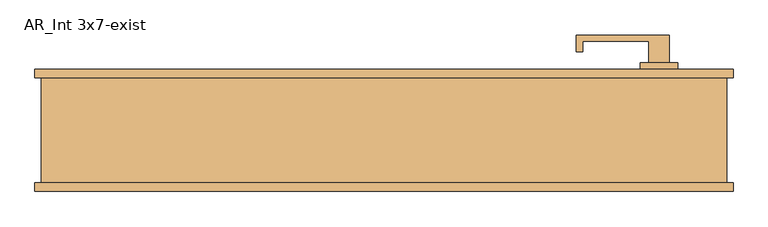
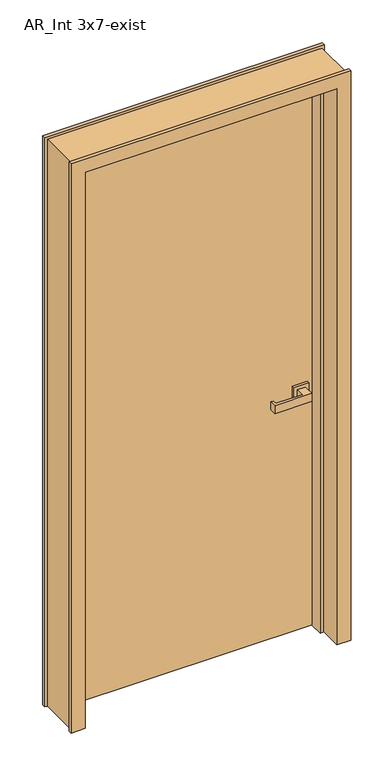
"""IFC4 building model written with IfcOpenShell, lengths in millimetres: door geometry, AR_Int 3x7-exist."""

from ifc_helpers import new_model, si_unit, frame, origin, origin_with_axes, place, context, project, spatial, polyline, outline, extrude, faceted_brep, source, transform, mapped, element, save


def ar_int_3x7_exist_beb96ee9(model_context):
    return source(origin(), model_context, "Body", "SolidModel", [
        faceted_brep([(-406.5493445, 91.1545325, 0.0), (-355.7493445, 91.1545325, 0.0), (-355.7493445, 46.7045325, 0.0), (-343.0493445, 46.7045325, 0.0), (-343.0493445, -4.0954675, 0.0), (-355.7493445, -4.0954675, 0.0), (-355.7493445, -86.6454675, 0.0), (-406.5493445, -86.6454675, 0.0), (-406.5493445, -73.9454675, 0.0), (-397.0243445, -73.9454675, 0.0), (-397.0243445, 78.4545325, 0.0), (-406.5493445, 78.4545325, 0.0), (-355.7493445, 91.1545325, 2133.6), (-355.7493445, 46.7045325, 2133.6), (-343.0493445, 46.7045325, 2120.9), (-343.0493445, -4.0954675, 2120.9), (-355.7493445, -4.0954675, 2133.6), (-355.7493445, -86.6454675, 2133.6), (609.4506555, 91.1545325, 0.0), (609.4506555, 91.1545325, 2184.4), (609.4506555, 78.4545325, 2184.4), (609.4506555, 78.4545325, 0.0), (609.4506555, -86.6454675, 2184.4), (609.4506555, -86.6454675, 0.0), (609.4506555, -73.9454675, 0.0), (609.4506555, -73.9454675, 2184.4), (558.6506555, -86.6454675, 2133.6), (558.6506555, -86.6454675, 0.0), (-406.5493445, -86.6454675, 2184.4), (558.6506555, -4.0954675, 0.0), (545.9506555, -4.0954675, 0.0), (545.9506555, 46.7045325, 0.0), (558.6506555, 46.7045325, 0.0), (558.6506555, 91.1545325, 0.0), (599.9256555, 78.4545325, 0.0), (599.9256555, -73.9454675, 0.0), (-406.5493445, 91.1545325, 2184.4), (558.6506555, 91.1545325, 2133.6), (-406.5493445, -73.9454675, 2184.4), (-406.5493445, 78.4545325, 2184.4), (558.6506555, -4.0954675, 2133.6), (545.9506555, -4.0954675, 2120.9), (545.9506555, 46.7045325, 2120.9), (558.6506555, 46.7045325, 2133.6), (599.9256555, 78.4545325, 2174.875), (-397.0243445, 78.4545325, 2174.875), (599.9256555, -73.9454675, 2174.875), (-397.0243445, -73.9454675, 2174.875)], [[[0, 1, 2, 3, 4, 5, 6, 7, 8, 9, 10, 11]], [[2, 1, 12, 13]], [[4, 3, 14, 15]], [[6, 5, 16, 17]], [[18, 19, 20, 21]], [[22, 23, 24, 25]], [[7, 6, 17, 26, 27, 23, 22, 28]], [[23, 27, 29, 30, 31, 32, 33, 18, 21, 34, 35, 24]], [[1, 0, 36, 19, 18, 33, 37, 12]], [[7, 28, 38, 8]], [[36, 0, 11, 39]], [[29, 27, 26, 40]], [[5, 4, 15, 41, 30, 29, 40, 16]], [[31, 30, 41, 42]], [[3, 2, 13, 43, 32, 31, 42, 14]], [[33, 32, 43, 37]], [[28, 22, 25, 38]], [[19, 36, 39, 20]], [[17, 16, 40, 26]], [[15, 14, 42, 41]], [[13, 12, 37, 43]], [[44, 34, 21, 20, 39, 11, 10, 45]], [[35, 46, 47, 9, 8, 38, 25, 24]], [[45, 10, 9, 47]], [[34, 44, 46, 35]], [[46, 44, 45, 47]]]),
        extrude(outline(polyline([(516.5006555, -3.2954675), (381.5006555, -3.2954675), (381.5006555, 20.7045325), (390.5006555, 20.7045325), (390.5006555, 5.7045325), (486.5006555, 5.7045325), (486.5006555, 36.7045325), (516.5006555, 36.7045325), (516.5006555, -3.2954675)])), frame((0.0, 0.0, 899.4), z_axis=(0.0, 0.0, 1.0), x_axis=(1.0, 0.0, 0.0)), (0.0, 0.0, 1.0), 30.0),
        extrude(outline(polyline([(474.0006555, 36.7045325), (474.0006555, 46.7045325), (529.0006555, 46.7045325), (529.0006555, 36.7045325), (474.0006555, 36.7045325)])), frame((0.0, 0.0, 886.9), z_axis=(0.0, 0.0, 1.0), x_axis=(1.0, 0.0, 0.0)), (0.0, 0.0, 1.0), 55.0),
        extrude(outline(polyline([(516.5006555, 141.1545325), (516.5006555, 101.1545325), (486.5006555, 101.1545325), (486.5006555, 132.1545325), (390.5006555, 132.1545325), (390.5006555, 117.1545325), (381.5006555, 117.1545325), (381.5006555, 141.1545325), (516.5006555, 141.1545325)])), frame((0.0, 0.0, 899.4), z_axis=(0.0, 0.0, 1.0), x_axis=(1.0, 0.0, 0.0)), (0.0, 0.0, 1.0), 30.0),
        extrude(outline(polyline([(474.0006555, 101.1545325), (529.0006555, 101.1545325), (529.0006555, 91.1545325), (474.0006555, 91.1545325), (474.0006555, 101.1545325)])), frame((0.0, 0.0, 886.9), z_axis=(0.0, 0.0, 1.0), x_axis=(1.0, 0.0, 0.0)), (0.0, 0.0, 1.0), 55.0),
        extrude(outline(polyline([(-355.7493445, 91.1545325), (558.6506555, 91.1545325), (558.6506555, 46.7045325), (-355.7493445, 46.7045325), (-355.7493445, 91.1545325)])), origin_with_axes(), (0.0, 0.0, 1.0), 2133.6),
    ])


if __name__ == "__main__":
    model = new_model("IFC4")
    model_context = context("Model", 3, world=origin())
    ifc_project = project(units=[si_unit("LENGTHUNIT", "METRE", prefix="MILLI")], contexts=[model_context])
    site = spatial("IfcSite", under=ifc_project)
    building = spatial("IfcBuilding", under=site)
    placement = place(None, origin())
    ar_int_3x7_exist_shape = ar_int_3x7_exist_beb96ee9(model_context)
    element("IfcDoor", 1, ObjectType="AR_Int 3x7-exist", at=placement, inside=building, context=model_context, shape_type="MappedRepresentation", body=[
        mapped(ar_int_3x7_exist_shape, transform((0.0, 0.0, 0.0), x_axis=(1.0, 0.0, 0.0), y_axis=(0.0, 1.0, 0.0), z_axis=(0.0, 0.0, 1.0))),
    ])
    save(model, "model.ifc")
